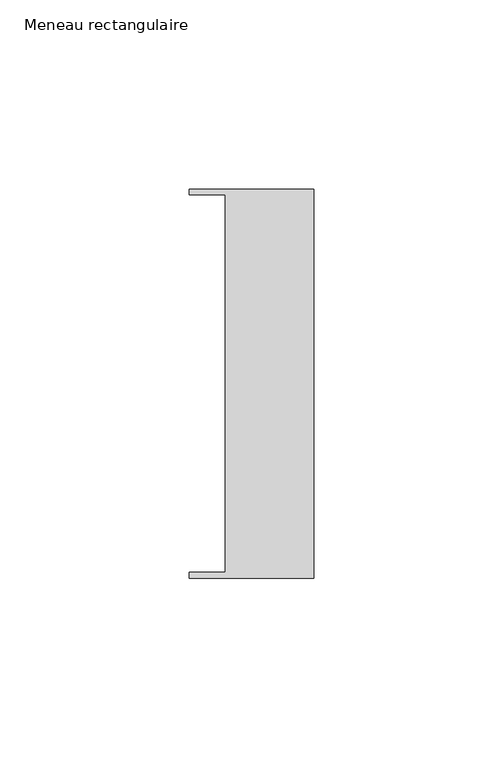
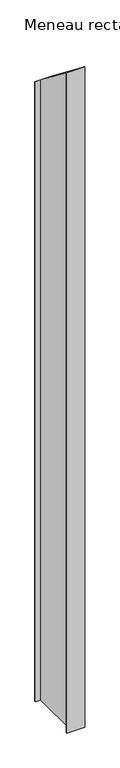
"""IFC4 building model written with IfcOpenShell, lengths in millimetres: member geometry, Meneau rectangulaire."""

from ifc_helpers import new_model, si_unit, origin, place, context, project, spatial, faceted_brep, source, transform, mapped, element, save


def meneau_rectangulaire_bbaec2a1(model_context):
    return source(origin(), model_context, "Body", "Brep", [
        faceted_brep([(-33.0, 51.4622428, -1255.0000003), (0.0, 51.4622428, -1255.0000003), (0.0, -51.4712299, -1255.0000003), (-33.0, -51.4712299, -1255.0000003), (-33.0, -49.9505712, -1255.0000003), (-23.4, -49.9505712, -1255.0000003), (-23.4, 49.9614402, -1255.0000003), (-33.0, 49.9614402, -1255.0000003), (-33.0, 49.9614402, -38.9558971), (-33.0, 51.4622428, -40.1261017), (-23.4, 49.9614402, -38.9558971), (-23.4, -49.9505712, 38.9474223), (-33.0, -49.9505712, 38.9474223), (-33.0, -51.4712299, 40.1331091), (0.0, -51.4712299, 40.1331091), (0.0, 51.4622428, -40.1261017)], [[[0, 1, 2, 3, 4, 5, 6, 7]], [[8, 9, 0, 7]], [[10, 8, 7, 6]], [[11, 10, 6, 5]], [[12, 11, 5, 4]], [[13, 12, 4, 3]], [[14, 13, 3, 2]], [[15, 14, 2, 1]], [[9, 15, 1, 0]], [[9, 8, 10, 11, 12, 13, 14, 15]]]),
    ])


if __name__ == "__main__":
    model = new_model("IFC4")
    model_context = context("Model", 3, world=origin())
    ifc_project = project(units=[si_unit("LENGTHUNIT", "METRE", prefix="MILLI")], contexts=[model_context])
    site = spatial("IfcSite", under=ifc_project)
    building = spatial("IfcBuilding", under=site)
    placement = place(None, origin())
    meneau_rectangulaire_shape = meneau_rectangulaire_bbaec2a1(model_context)
    element("IfcMember", 1, ObjectType="Meneau rectangulaire", at=placement, inside=building, context=model_context, shape_type="MappedRepresentation", body=[
        mapped(meneau_rectangulaire_shape, transform((0.0, 0.0, 0.0), x_axis=(1.0, 0.0, 0.0), y_axis=(0.0, 1.0, 0.0), z_axis=(0.0, 0.0, 1.0))),
    ])
    save(model, "model.ifc")
